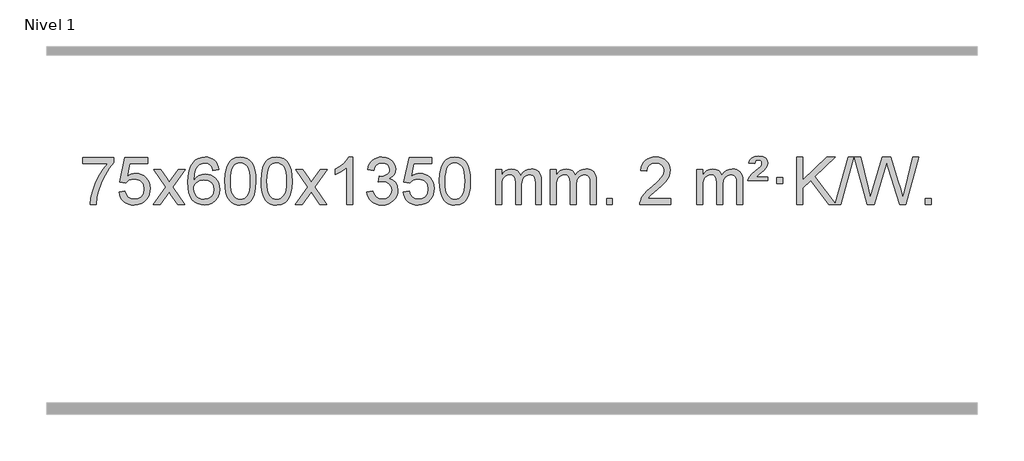
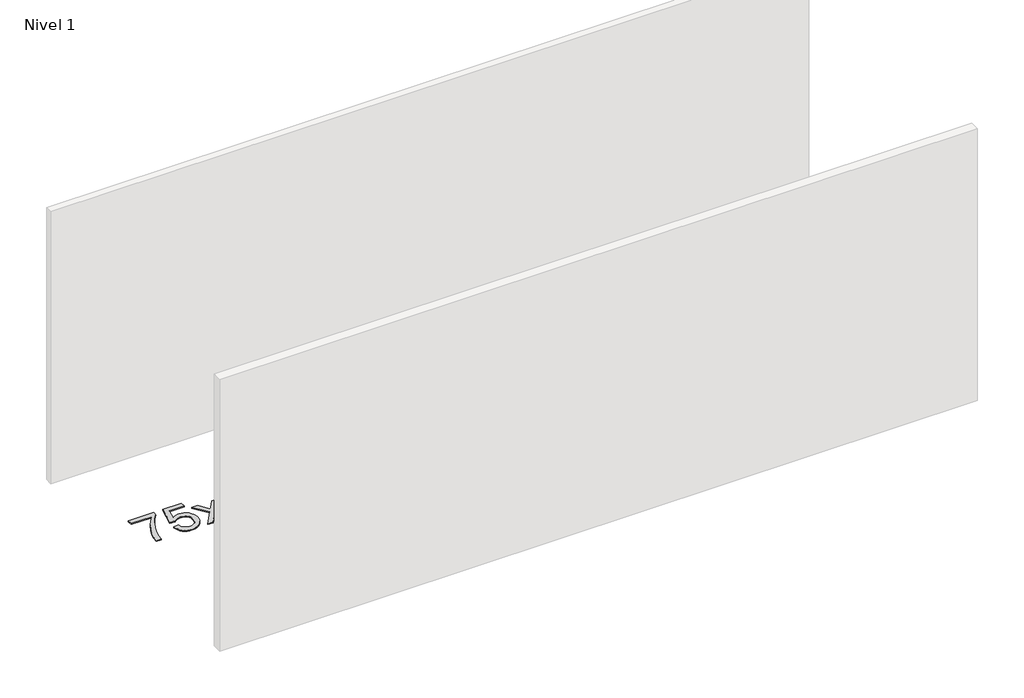
# One storey, part 15 of 21: 1 proxy.
"""IFC4 building model written with IfcOpenShell, lengths in millimetres."""

from ifc_helpers import new_model, si_unit, origin, origin_with_axes, place, context, project, spatial, polyline, outline, extrude, element, save

model = new_model("IFC4")

# Units and contexts
model_context = context("Model", 3, world=origin())
ifc_project = project(units=[si_unit("LENGTHUNIT", "METRE", prefix="MILLI")], contexts=[model_context])

# Site, building, storey
site = spatial("IfcSite", under=ifc_project)
building = spatial("IfcBuilding", under=site)
storey = spatial("IfcBuildingStorey", under=building, Name="Nivel 1", Elevation=0.0)

# Proxy
placement = place(None, origin())
element("IfcBuildingElementProxy", 1, Name="Texto de modelo 1", ObjectType="Texto de modelo 1", at=placement, inside=storey, context=model_context, shape_type="SweptSolid", body=[
    extrude(outline(polyline([(76.1355068, -12095.2608869), (76.1355068, -12045.0327318), (339.8333209, -12045.0327318), (339.8333209, -12085.646904), (302.2480437, -12133.214046), (265.0306485, -12193.7061088), (232.2033118, -12261.6048623), (207.7882101, -12331.3920768), (195.8197825, -12383.6067947), (189.1488557, -12440.579453), (138.9207006, -12440.579453), (144.3530914, -12388.8061935), (158.8844302, -12327.2717985), (182.1223096, -12262.0463207), (213.674322, -12199.1998132), (250.5115725, -12142.3865704), (289.6051658, -12095.2608869), (76.1355068, -12095.2608869)])), origin_with_axes(), (0.0, 0.0, 1.0), 10.0),
    extrude(outline(polyline([(383.7829566, -12333.8446235), (434.0111117, -12327.5661041), (443.232687, -12357.7201649), (459.3213929, -12379.3148381), (482.203653, -12392.3010725), (511.8058909, -12396.6298173), (530.9357547, -12395.1245668), (547.8092755, -12390.6088153), (562.4264534, -12383.0825628), (574.7872885, -12372.5458094), (584.6158691, -12359.519721), (591.6362839, -12344.5254641), (597.2526157, -12308.6324441), (591.9919031, -12274.8363514), (585.4160125, -12260.9181493), (576.2097655, -12248.9865099), (564.3425055, -12239.4154467), (549.7835755, -12232.5789729), (512.5907058, -12227.1097939), (488.224655, -12229.2925604), (468.4939173, -12235.8408599), (452.7363052, -12245.8717757), (440.2896311, -12258.5023908), (390.061476, -12252.2238715), (434.0111117, -12045.0327318), (628.6452126, -12045.0327318), (628.6452126, -12095.2608869), (474.6252839, -12095.2608869), (453.1409754, -12205.919791), (470.8667562, -12193.2155994), (489.0217327, -12184.1411769), (507.6059048, -12178.6965234), (526.6192726, -12176.8816388), (551.0803596, -12179.1318504), (573.5487524, -12185.882485), (594.0244512, -12197.1335427), (612.5074557, -12212.8850234), (627.808281, -12232.1743027), (638.737442, -12254.038756), (645.2949385, -12278.4783832), (647.4807707, -12305.4931844), (645.5126021, -12331.5147042), (639.608096, -12355.7213394), (629.7672527, -12378.1130902), (615.9900719, -12398.6899565), (595.1189001, -12419.7634634), (570.765112, -12434.8159684), (542.9287077, -12443.8474714), (511.6096872, -12446.8579724), (485.6893349, -12444.9235262), (462.2767116, -12439.1201877), (441.3718173, -12429.447957), (422.9746518, -12415.9068338), (407.6676951, -12399.1712688), (396.033427, -12379.915712), (388.0718475, -12358.1401636), (383.7829566, -12333.8446235)])), origin_with_axes(), (0.0, 0.0, 1.0), 10.0),
    extrude(outline(polyline([(672.5948483, -12440.579453), (779.918289, -12292.2494325), (678.8733677, -12145.4890419), (739.3041167, -12145.4890419), (788.0607438, -12216.122385), (810.8203766, -12249.4770192), (830.5388515, -12222.2047007), (886.0645073, -12145.4890419), (946.4952564, -12145.4890419), (840.3490381, -12292.2494325), (942.5711818, -12440.579453), (882.1404327, -12440.579453), (820.6305631, -12351.4048574), (809.3488486, -12335.1199477), (733.0255973, -12440.579453), (672.5948483, -12440.579453)])), origin_with_axes(), (0.0, 0.0, 1.0), 10.0),
    extrude(outline(polyline([(1231.3830735, -12145.4890419), (1181.1549184, -12151.7675613), (1173.0615145, -12126.874213), (1162.1231565, -12109.8780648), (1139.3389983, -12094.2062918), (1111.7968996, -12088.9823675), (1088.4486556, -12092.0235253), (1066.4738378, -12101.1469988), (1047.6014914, -12120.3627017), (1032.1872358, -12146.8134171), (1021.7761754, -12184.227016), (1017.9134144, -12236.3313693), (1038.061085, -12212.8237098), (1062.2064066, -12196.2567573), (1089.0004786, -12186.434308), (1117.0944003, -12183.1601582), (1141.2274592, -12185.398107), (1163.4965826, -12192.1119534), (1183.9017706, -12203.3016975), (1202.4430232, -12218.9673391), (1217.8511474, -12238.1769106), (1228.8569504, -12259.9984443), (1235.4604323, -12284.4319401), (1237.6615929, -12311.4773982), (1233.5167891, -12347.4439945), (1221.0823776, -12380.786366), (1201.3884281, -12409.0642287), (1175.4650102, -12429.8372987), (1144.4893462, -12442.602804), (1109.6386585, -12446.8579724), (1079.6961298, -12444.0375437), (1052.6537375, -12435.5762579), (1028.5114816, -12421.4741147), (1007.269362, -12401.7311143), (989.9513171, -12375.5133908), (977.581285, -12341.9870783), (970.1592658, -12301.1521768), (967.6852593, -12253.0086864), (970.4321116, -12199.0342663), (978.6726683, -12152.9693092), (992.4069294, -12114.8138149), (1011.634895, -12084.5677835), (1032.4754101, -12064.5243462), (1056.6391258, -12050.2076052), (1084.1260422, -12041.6175606), (1114.9361593, -12038.7542124), (1138.0698054, -12040.5261773), (1159.0084223, -12045.8420722), (1177.7520099, -12054.7018969), (1194.3005684, -12067.1056515), (1208.2065078, -12082.6364031), (1219.0222384, -12100.8772186), (1226.7477603, -12121.8280983), (1231.3830735, -12145.4890419)]), holes=[polyline([(1017.9134144, -12310.6925832), (1020.8196822, -12332.9494439), (1029.5384855, -12354.2007605), (1043.0765429, -12372.472233), (1060.4405731, -12385.7895612), (1081.397584, -12393.9197533), (1105.7145839, -12396.6298173), (1138.8607517, -12391.0134855), (1152.7758882, -12383.9930708), (1164.9190597, -12374.1644901), (1174.7691001, -12361.9262824), (1181.8048433, -12347.6769865), (1187.4334378, -12313.1451299), (1181.8784197, -12279.9989621), (1174.934647, -12266.3781312), (1165.2133653, -12254.725469), (1153.0334056, -12245.3904634), (1138.7135989, -12238.7226022), (1103.6544448, -12233.3883133), (1070.5573279, -12238.7226022), (1042.8803391, -12254.725469), (1031.9573096, -12266.2248471), (1024.1551456, -12279.3858254), (1019.4738472, -12294.2084042), (1017.9134144, -12310.6925832)])]), origin_with_axes(), (0.0, 0.0, 1.0), 10.0),
    extrude(outline(polyline([(1281.6112286, -12242.9041943), (1285.3023112, -12178.5861588), (1296.3755593, -12127.2911459), (1314.7206081, -12088.2343407), (1326.5786711, -12073.0009605), (1340.2270931, -12060.6309284), (1355.7118594, -12051.0598651), (1373.0789553, -12044.2233914), (1413.4601356, -12038.7542124), (1444.4112742, -12041.991574), (1472.1250511, -12051.7036586), (1495.3016168, -12067.5103217), (1512.6411215, -12089.0314184), (1525.7377206, -12116.0830078), (1536.1855692, -12148.4811488), (1543.0281743, -12189.6226186), (1545.3090427, -12242.9041943), (1541.6547482, -12306.8543477), (1530.6918648, -12358.0267333), (1512.4571805, -12397.1203266), (1500.6267087, -12412.3996922), (1486.9874837, -12424.8341036), (1471.4843233, -12434.4695462), (1454.0620452, -12441.3520052), (1413.4601356, -12446.8579724), (1385.7954096, -12444.4667394), (1361.2699432, -12437.2930405), (1339.8837366, -12425.3368757), (1321.6367896, -12408.5982449), (1304.1256067, -12378.3399508), (1291.6176188, -12340.6381776), (1284.1128261, -12295.4929255), (1281.6112286, -12242.9041943)]), holes=[polyline([(1331.8393836, -12242.8060924), (1333.3109116, -12286.4706195), (1337.7254956, -12321.8148822), (1345.0831355, -12348.8388804), (1355.3838313, -12367.5426142), (1367.8427682, -12380.2682656), (1381.6751312, -12389.3580165), (1396.8809204, -12394.8118671), (1413.4601356, -12396.6298173), (1430.0393509, -12394.8057357), (1445.24514, -12389.3334911), (1459.077503, -12380.2130833), (1471.5364399, -12367.4445124), (1481.8371358, -12348.7101217), (1489.1947757, -12321.6922549), (1493.6093596, -12286.3909118), (1495.0808876, -12242.8060924), (1493.6584106, -12200.2973278), (1489.3909794, -12165.5753989), (1482.2785942, -12138.6403055), (1472.3212549, -12119.4920476), (1460.0707844, -12106.1440625), (1446.0790059, -12096.6097875), (1430.3459192, -12090.8892225), (1412.8715244, -12088.9823675), (1396.3781483, -12090.6623619), (1381.4298766, -12095.7023452), (1368.0267092, -12104.1023175), (1356.1686462, -12115.8622786), (1345.5245938, -12136.708925), (1337.9216993, -12164.8151094), (1333.3599625, -12200.1808319), (1331.8393836, -12242.8060924)])]), origin_with_axes(), (0.0, 0.0, 1.0), 10.0),
    extrude(outline(polyline([(1589.2586784, -12242.9041943), (1592.9497611, -12178.5861588), (1604.0230091, -12127.2911459), (1622.368058, -12088.2343407), (1634.2261209, -12073.0009605), (1647.874543, -12060.6309284), (1663.3593093, -12051.0598651), (1680.7264051, -12044.2233914), (1721.1075855, -12038.7542124), (1752.058724, -12041.991574), (1779.772501, -12051.7036586), (1802.9490667, -12067.5103217), (1820.2885714, -12089.0314184), (1833.3851704, -12116.0830078), (1843.833019, -12148.4811488), (1850.6756242, -12189.6226186), (1852.9564925, -12242.9041943), (1849.302198, -12306.8543477), (1838.3393146, -12358.0267333), (1820.1046304, -12397.1203266), (1808.2741585, -12412.3996922), (1794.6349336, -12424.8341036), (1779.1317731, -12434.4695462), (1761.709495, -12441.3520052), (1721.1075855, -12446.8579724), (1693.4428594, -12444.4667394), (1668.9173931, -12437.2930405), (1647.5311864, -12425.3368757), (1629.2842395, -12408.5982449), (1611.7730565, -12378.3399508), (1599.2650687, -12340.6381776), (1591.760276, -12295.4929255), (1589.2586784, -12242.9041943)]), holes=[polyline([(1639.4868335, -12242.8060924), (1640.9583614, -12286.4706195), (1645.3729454, -12321.8148822), (1652.7305853, -12348.8388804), (1663.0312812, -12367.5426142), (1675.4902181, -12380.2682656), (1689.3225811, -12389.3580165), (1704.5283702, -12394.8118671), (1721.1075855, -12396.6298173), (1737.6868007, -12394.8057357), (1752.8925898, -12389.3334911), (1766.7249529, -12380.2130833), (1779.1838898, -12367.4445124), (1789.4845856, -12348.7101217), (1796.8422255, -12321.6922549), (1801.2568095, -12286.3909118), (1802.7283375, -12242.8060924), (1801.3058604, -12200.2973278), (1797.0384293, -12165.5753989), (1789.926044, -12138.6403055), (1779.9687047, -12119.4920476), (1767.7182342, -12106.1440625), (1753.7264557, -12096.6097875), (1737.993369, -12090.8892225), (1720.5189743, -12088.9823675), (1704.0255981, -12090.6623619), (1689.0773264, -12095.7023452), (1675.6741591, -12104.1023175), (1663.8160961, -12115.8622786), (1653.1720437, -12136.708925), (1645.5691491, -12164.8151094), (1641.0074124, -12200.1808319), (1639.4868335, -12242.8060924)])]), origin_with_axes(), (0.0, 0.0, 1.0), 10.0),
    extrude(outline(polyline([(1878.0705701, -12440.579453), (1985.3940108, -12292.2494325), (1884.3490895, -12145.4890419), (1944.7798385, -12145.4890419), (1993.5364656, -12216.122385), (2016.2960984, -12249.4770192), (2036.0145733, -12222.2047007), (2091.5402291, -12145.4890419), (2151.9709782, -12145.4890419), (2045.8247599, -12292.2494325), (2148.0469036, -12440.579453), (2087.6161545, -12440.579453), (2026.1062849, -12351.4048574), (2014.8245704, -12335.1199477), (1938.5013191, -12440.579453), (1878.0705701, -12440.579453)])), origin_with_axes(), (0.0, 0.0, 1.0), 10.0),
    extrude(outline(polyline([(2367.795082, -12440.579453), (2317.566927, -12440.579453), (2317.566927, -12127.4382987), (2296.5976532, -12144.3976587), (2269.9875223, -12161.3324932), (2217.1106168, -12186.6918254), (2217.1106168, -12139.2105225), (2256.5598294, -12117.7507395), (2290.7360668, -12092.219729), (2317.6772916, -12065.0700378), (2335.4214665, -12038.7542124), (2367.795082, -12038.7542124), (2367.795082, -12440.579453)])), origin_with_axes(), (0.0, 0.0, 1.0), 10.0),
    extrude(outline(polyline([(2487.0869503, -12333.8446235), (2537.3151054, -12327.5661041), (2548.5600317, -12359.1303793), (2565.0288824, -12380.4430095), (2587.5309978, -12392.5831154), (2616.8757182, -12396.6298173), (2651.309473, -12391.0625364), (2665.5832944, -12384.1034354), (2677.8950785, -12374.3606939), (2694.8912267, -12349.4428201), (2700.5566094, -12319.2274455), (2694.9402776, -12290.5449126), (2678.0912822, -12267.2825078), (2652.5847972, -12251.8682522), (2620.9959966, -12246.730167), (2585.7774269, -12252.2238715), (2591.3692332, -12201.9957164), (2599.4135862, -12202.5843276), (2629.5063334, -12198.979084), (2656.41077, -12188.1633534), (2667.4840181, -12179.9841103), (2675.3934809, -12169.8673555), (2680.1391587, -12157.8130888), (2681.7210513, -12143.8213102), (2677.1347891, -12122.1285352), (2663.3760024, -12104.5315131), (2642.3822032, -12092.8696539), (2616.0909033, -12088.9823675), (2589.7505525, -12092.9064421), (2568.217193, -12104.6786659), (2552.4963691, -12124.299039), (2543.5936248, -12151.7675613), (2493.3654697, -12145.4890419), (2499.3190267, -12121.5092672), (2508.1543259, -12100.3867093), (2519.8713675, -12082.1213683), (2534.4701513, -12066.713244), (2551.490825, -12054.4811677), (2570.4735359, -12045.7439703), (2591.4182842, -12040.5016519), (2614.3250697, -12038.7542124), (2645.9016077, -12042.2000404), (2674.9029716, -12052.5375245), (2699.3548616, -12068.8469596), (2717.2829775, -12090.2086408), (2728.2826491, -12114.8199463), (2731.9492063, -12140.8782543), (2728.4665901, -12165.1584659), (2718.0187415, -12187.1823347), (2700.7528131, -12205.9443165), (2676.815958, -12220.4388671), (2708.2576058, -12233.1430586), (2731.5567989, -12254.77452), (2745.9777731, -12284.1560286), (2750.7847645, -12320.1103623), (2748.3812688, -12345.5923218), (2741.1707817, -12369.0631931), (2729.1533032, -12390.5229762), (2712.3288333, -12409.971671), (2691.8316748, -12426.1094278), (2668.7961305, -12437.636397), (2643.2222005, -12444.5525785), (2615.1098847, -12446.8579724), (2589.7015015, -12444.8898037), (2566.5494613, -12438.9852977), (2545.653764, -12429.1444543), (2527.0144096, -12415.3672736), (2511.3855561, -12398.4630959), (2499.5213618, -12379.2412617), (2491.4218265, -12357.7017708), (2487.0869503, -12333.8446235)])), origin_with_axes(), (0.0, 0.0, 1.0), 10.0),
    extrude(outline(polyline([(2794.7344002, -12333.8446235), (2844.9625553, -12327.5661041), (2854.1841306, -12357.7201649), (2870.2728365, -12379.3148381), (2893.1550966, -12392.3010725), (2922.7573345, -12396.6298173), (2941.8871983, -12395.1245668), (2958.7607191, -12390.6088153), (2973.377897, -12383.0825628), (2985.7387321, -12372.5458094), (2995.5673127, -12359.519721), (3002.5877275, -12344.5254641), (3008.2040592, -12308.6324441), (3002.9433467, -12274.8363514), (2996.3674561, -12260.9181493), (2987.1612091, -12248.9865099), (2975.2939491, -12239.4154467), (2960.7350191, -12232.5789729), (2923.5421494, -12227.1097939), (2899.1760986, -12229.2925604), (2879.4453609, -12235.8408599), (2863.6877488, -12245.8717757), (2851.2410746, -12258.5023908), (2801.0129196, -12252.2238715), (2844.9625553, -12045.0327318), (3039.5966562, -12045.0327318), (3039.5966562, -12095.2608869), (2885.5767275, -12095.2608869), (2864.092419, -12205.919791), (2881.8181998, -12193.2155994), (2899.9731763, -12184.1411769), (2918.5573484, -12178.6965234), (2937.5707162, -12176.8816388), (2962.0318032, -12179.1318504), (2984.500196, -12185.882485), (3004.9758947, -12197.1335427), (3023.4588993, -12212.8850234), (3038.7597246, -12232.1743027), (3049.6888856, -12254.038756), (3056.2463821, -12278.4783832), (3058.4322143, -12305.4931844), (3056.4640457, -12331.5147042), (3050.5595396, -12355.7213394), (3040.7186963, -12378.1130902), (3026.9415155, -12398.6899565), (3006.0703437, -12419.7634634), (2981.7165556, -12434.8159684), (2953.8801513, -12443.8474714), (2922.5611308, -12446.8579724), (2896.6407785, -12444.9235262), (2873.2281552, -12439.1201877), (2852.3232608, -12429.447957), (2833.9260954, -12415.9068338), (2818.6191387, -12399.1712688), (2806.9848706, -12379.915712), (2799.0232911, -12358.1401636), (2794.7344002, -12333.8446235)])), origin_with_axes(), (0.0, 0.0, 1.0), 10.0),
    extrude(outline(polyline([(3102.38185, -12242.9041943), (3106.0729327, -12178.5861588), (3117.1461808, -12127.2911459), (3135.4912296, -12088.2343407), (3147.3492926, -12073.0009605), (3160.9977146, -12060.6309284), (3176.4824809, -12051.0598651), (3193.8495767, -12044.2233914), (3234.2307571, -12038.7542124), (3265.1818956, -12041.991574), (3292.8956726, -12051.7036586), (3316.0722383, -12067.5103217), (3333.411743, -12089.0314184), (3346.508342, -12116.0830078), (3356.9561907, -12148.4811488), (3363.7987958, -12189.6226186), (3366.0796642, -12242.9041943), (3362.4253697, -12306.8543477), (3351.4624862, -12358.0267333), (3333.227802, -12397.1203266), (3321.3973302, -12412.3996922), (3307.7581052, -12424.8341036), (3292.2549448, -12434.4695462), (3274.8326666, -12441.3520052), (3234.2307571, -12446.8579724), (3206.566031, -12444.4667394), (3182.0405647, -12437.2930405), (3160.6543581, -12425.3368757), (3142.4074111, -12408.5982449), (3124.8962281, -12378.3399508), (3112.3882403, -12340.6381776), (3104.8834476, -12295.4929255), (3102.38185, -12242.9041943)]), holes=[polyline([(3152.6100051, -12242.8060924), (3154.0815331, -12286.4706195), (3158.496117, -12321.8148822), (3165.8537569, -12348.8388804), (3176.1544528, -12367.5426142), (3188.6133897, -12380.2682656), (3202.4457527, -12389.3580165), (3217.6515418, -12394.8118671), (3234.2307571, -12396.6298173), (3250.8099723, -12394.8057357), (3266.0157615, -12389.3334911), (3279.8481245, -12380.2130833), (3292.3070614, -12367.4445124), (3302.6077573, -12348.7101217), (3309.9653972, -12321.6922549), (3314.3799811, -12286.3909118), (3315.8515091, -12242.8060924), (3314.429032, -12200.2973278), (3310.1616009, -12165.5753989), (3303.0492157, -12138.6403055), (3293.0918763, -12119.4920476), (3280.8414059, -12106.1440625), (3266.8496273, -12096.6097875), (3251.1165407, -12090.8892225), (3233.6421459, -12088.9823675), (3217.1487698, -12090.6623619), (3202.200498, -12095.7023452), (3188.7973307, -12104.1023175), (3176.9392677, -12115.8622786), (3166.2952153, -12136.708925), (3158.6923207, -12164.8151094), (3154.130584, -12200.1808319), (3152.6100051, -12242.8060924)])]), origin_with_axes(), (0.0, 0.0, 1.0), 10.0),
    extrude(outline(polyline([(3579.5493232, -12440.579453), (3579.5493232, -12145.4890419), (3629.7774783, -12145.4890419), (3629.7774783, -12194.0494653), (3644.8851656, -12171.7435537), (3664.3093349, -12154.2691589), (3687.3877987, -12142.9751816), (3713.4583695, -12139.2105225), (3741.3928756, -12143.048758), (3763.7846264, -12154.5634645), (3780.5109945, -12172.9943524), (3791.4493524, -12197.5811324), (3809.7576131, -12172.0439906), (3830.6410477, -12153.803175), (3854.0996562, -12142.8586857), (3880.1334388, -12139.2105225), (3900.2412555, -12140.7280358), (3917.8903942, -12145.2805755), (3933.0808549, -12152.8681416), (3945.8126376, -12163.4907342), (3955.8772759, -12177.2709806), (3963.0663032, -12194.3315082), (3967.3797196, -12214.6723168), (3968.8175251, -12238.2934066), (3968.8175251, -12440.579453), (3918.58937, -12440.579453), (3918.58937, -12259.875817), (3917.4244103, -12234.8230531), (3913.9295314, -12217.9372695), (3907.3812319, -12206.3735121), (3897.0560105, -12197.2868268), (3883.7754705, -12191.4007149), (3868.3612149, -12189.4386776), (3841.15021, -12194.4663982), (3818.9669257, -12209.54956), (3810.3615527, -12221.1194488), (3804.2148577, -12235.7182326), (3799.2975017, -12274.0024856), (3799.2975017, -12440.579453), (3749.0693466, -12440.579453), (3749.0693466, -12254.2840106), (3746.1630788, -12225.8835206), (3737.4442756, -12205.6254854), (3722.1035964, -12193.4853796), (3699.3317009, -12189.4386776), (3679.9811079, -12192.1364789), (3662.1510939, -12200.2298828), (3647.4358141, -12213.5226856), (3637.4294238, -12231.8186835), (3631.6904647, -12257.2025411), (3629.7774783, -12291.7589232), (3629.7774783, -12440.579453), (3579.5493232, -12440.579453)])), origin_with_axes(), (0.0, 0.0, 1.0), 10.0),
    extrude(outline(polyline([(4044.1597577, -12440.579453), (4044.1597577, -12145.4890419), (4094.3879127, -12145.4890419), (4094.3879127, -12194.0494653), (4109.4956, -12171.7435537), (4128.9197694, -12154.2691589), (4151.9982332, -12142.9751816), (4178.0688039, -12139.2105225), (4206.0033101, -12143.048758), (4228.3950609, -12154.5634645), (4245.1214289, -12172.9943524), (4256.0597869, -12197.5811324), (4274.3680475, -12172.0439906), (4295.2514821, -12153.803175), (4318.7100907, -12142.8586857), (4344.7438732, -12139.2105225), (4364.8516899, -12140.7280358), (4382.5008286, -12145.2805755), (4397.6912893, -12152.8681416), (4410.4230721, -12163.4907342), (4420.4877103, -12177.2709806), (4427.6767376, -12194.3315082), (4431.990154, -12214.6723168), (4433.4279595, -12238.2934066), (4433.4279595, -12440.579453), (4383.1998044, -12440.579453), (4383.1998044, -12259.875817), (4382.0348448, -12234.8230531), (4378.5399658, -12217.9372695), (4371.9916663, -12206.3735121), (4361.666445, -12197.2868268), (4348.3859049, -12191.4007149), (4332.9716493, -12189.4386776), (4305.7606444, -12194.4663982), (4283.5773601, -12209.54956), (4274.9719871, -12221.1194488), (4268.8252921, -12235.7182326), (4263.9079361, -12274.0024856), (4263.9079361, -12440.579453), (4213.679781, -12440.579453), (4213.679781, -12254.2840106), (4210.7735133, -12225.8835206), (4202.05471, -12205.6254854), (4186.7140308, -12193.4853796), (4163.9421353, -12189.4386776), (4144.5915424, -12192.1364789), (4126.7615283, -12200.2298828), (4112.0462485, -12213.5226856), (4102.0398582, -12231.8186835), (4096.3008991, -12257.2025411), (4094.3879127, -12291.7589232), (4094.3879127, -12440.579453), (4044.1597577, -12440.579453)])), origin_with_axes(), (0.0, 0.0, 1.0), 10.0),
    extrude(outline(polyline([(4521.3272309, -12440.579453), (4521.3272309, -12390.3512979), (4571.555386, -12390.3512979), (4571.555386, -12440.579453), (4521.3272309, -12440.579453)])), origin_with_axes(), (0.0, 0.0, 1.0), 10.0),
    extrude(outline(polyline([(5067.5584173, -12390.3512979), (5067.5584173, -12440.579453), (4803.8606032, -12440.579453), (4804.9642492, -12422.8965918), (4809.2562058, -12405.9494945), (4821.6415663, -12378.8856424), (4839.7658859, -12352.6311307), (4865.9836094, -12325.1503456), (4902.6491816, -12294.4076736), (4956.8504622, -12246.2641831), (4989.3712306, -12210.7267824), (5005.6316148, -12181.884834), (5011.0517429, -12153.8277005), (5005.9381831, -12128.6768347), (4990.5975039, -12107.7688747), (4967.016268, -12093.6789943), (4937.1810382, -12088.9823675), (4905.849755, -12093.5686297), (4881.5082296, -12107.3274163), (4865.7996684, -12129.1796068), (4860.3672776, -12158.0460807), (4810.1391226, -12151.7675613), (4814.4586703, -12125.838012), (4822.3160166, -12103.1826125), (4833.7111614, -12083.8013627), (4848.6441047, -12067.6942627), (4866.77149, -12055.0329907), (4887.7499608, -12045.989225), (4911.579517, -12040.5629655), (4938.2601587, -12038.7542124), (4965.1799237, -12040.7653006), (4989.1382387, -12046.7985654), (5010.1351036, -12056.8540066), (5028.1705184, -12070.9316242), (5042.6558719, -12087.9890861), (5053.002553, -12106.9840598), (5059.2105617, -12127.9165453), (5061.2798979, -12150.7865427), (5059.0480805, -12174.8092369), (5052.3526282, -12198.4149983), (5040.4700397, -12222.4254299), (5022.6768139, -12247.6621347), (4994.3131121, -12277.7916701), (4950.7190956, -12316.4805933), (4892.9370969, -12364.795762), (4870.275566, -12390.3512979), (5067.5584173, -12390.3512979)])), origin_with_axes(), (0.0, 0.0, 1.0), 10.0),
    extrude(outline(polyline([(5287.3065958, -12440.579453), (5287.3065958, -12145.4890419), (5337.5347508, -12145.4890419), (5337.5347508, -12194.0494653), (5352.6424381, -12171.7435537), (5372.0666075, -12154.2691589), (5395.1450713, -12142.9751816), (5421.215642, -12139.2105225), (5449.1501482, -12143.048758), (5471.541899, -12154.5634645), (5488.268267, -12172.9943524), (5499.206625, -12197.5811324), (5517.5148856, -12172.0439906), (5538.3983202, -12153.803175), (5561.8569288, -12142.8586857), (5587.8907113, -12139.2105225), (5607.998528, -12140.7280358), (5625.6476667, -12145.2805755), (5640.8381275, -12152.8681416), (5653.5699102, -12163.4907342), (5663.6345484, -12177.2709806), (5670.8235757, -12194.3315082), (5675.1369921, -12214.6723168), (5676.5747976, -12238.2934066), (5676.5747976, -12440.579453), (5626.3466425, -12440.579453), (5626.3466425, -12259.875817), (5625.1816829, -12234.8230531), (5621.6868039, -12217.9372695), (5615.1385044, -12206.3735121), (5604.8132831, -12197.2868268), (5591.532743, -12191.4007149), (5576.1184874, -12189.4386776), (5548.9074825, -12194.4663982), (5526.7241982, -12209.54956), (5518.1188252, -12221.1194488), (5511.9721302, -12235.7182326), (5507.0547742, -12274.0024856), (5507.0547742, -12440.579453), (5456.8266191, -12440.579453), (5456.8266191, -12254.2840106), (5453.9203514, -12225.8835206), (5445.2015481, -12205.6254854), (5429.8608689, -12193.4853796), (5407.0889734, -12189.4386776), (5387.7383805, -12192.1364789), (5369.9083664, -12200.2298828), (5355.1930866, -12213.5226856), (5345.1866963, -12231.8186835), (5339.4477372, -12257.2025411), (5337.5347508, -12291.7589232), (5337.5347508, -12440.579453), (5287.3065958, -12440.579453)])), origin_with_axes(), (0.0, 0.0, 1.0), 10.0),
    extrude(outline(polyline([(5720.5244333, -12239.6668327), (5724.350406, -12223.8479069), (5732.6890646, -12207.9799302), (5754.1978986, -12182.8413272), (5786.1545812, -12155.1030247), (5830.3004207, -12117.726214), (5837.4373314, -12106.1992448), (5839.8163016, -12094.3779701), (5837.9278407, -12082.2869152), (5832.262458, -12072.5012541), (5822.8937298, -12066.026531), (5809.8952327, -12063.8682899), (5797.4608212, -12065.4869707), (5788.6071279, -12070.343013), (5782.1814557, -12079.8098431), (5777.0311077, -12095.2608869), (5726.8029527, -12088.9823675), (5737.6432088, -12063.7701881), (5754.271475, -12046.2099542), (5778.0366519, -12035.9092583), (5810.2876401, -12032.475693), (5846.0702955, -12036.6082341), (5870.8164911, -12049.0058573), (5885.2374653, -12067.3386434), (5890.0444567, -12089.2766731), (5885.9487038, -12112.1834586), (5873.6614451, -12133.8149199), (5853.1336298, -12153.6314968), (5816.6642614, -12181.6886303), (5791.0596745, -12208.2742358), (5890.0444567, -12208.2742358), (5890.0444567, -12239.6668327), (5720.5244333, -12239.6668327)])), origin_with_axes(), (0.0, 0.0, 1.0), 10.0),
    extrude(outline(polyline([(5965.3866893, -12264.7809102), (5965.3866893, -12214.5527552), (6015.6148444, -12214.5527552), (6015.6148444, -12264.7809102), (5965.3866893, -12264.7809102)])), origin_with_axes(), (0.0, 0.0, 1.0), 10.0),
    extrude(outline(polyline([(6406.2564723, -12440.579453), (6252.8251548, -12237.9009991), (6185.1348677, -12302.4520265), (6185.1348677, -12440.579453), (6134.9067127, -12440.579453), (6134.9067127, -12038.7542124), (6185.1348677, -12038.7542124), (6185.1348677, -12235.4484525), (6391.148785, -12038.7542124), (6461.3897206, -12038.7542124), (6288.436132, -12203.9577537), (6463.0897418, -12434.5349332), (6574.4030696, -12038.7542124), (6619.7261314, -12038.7542124), (6506.7127824, -12440.579453), (6467.66824, -12440.579453), (6461.3897206, -12440.579453), (6406.2564723, -12440.579453)])), origin_with_axes(), (0.0, 0.0, 1.0), 10.0),
    extrude(outline(polyline([(6734.2110083, -12440.579453), (6624.6312246, -12038.7542124), (6676.4290096, -12038.7542124), (6739.9990183, -12302.844434), (6759.6193914, -12384.3670841), (6780.6131906, -12312.2622131), (6860.2719053, -12038.7542124), (6934.9274248, -12038.7542124), (6992.8075254, -12237.0180823), (7017.6027719, -12310.5944814), (7035.8742443, -12384.3670841), (7054.9060062, -12305.1988788), (7119.0646262, -12038.7542124), (7170.8624111, -12038.7542124), (7061.1845256, -12440.579453), (7007.5228052, -12440.579453), (6911.1867734, -12130.5775584), (6897.7468179, -12087.3146358), (6882.6391306, -12139.4067263), (6794.8379611, -12440.579453), (6734.2110083, -12440.579453)])), origin_with_axes(), (0.0, 0.0, 1.0), 10.0),
    extrude(outline(polyline([(7227.3690855, -12440.579453), (7227.3690855, -12390.3512979), (7277.5972406, -12390.3512979), (7277.5972406, -12440.579453), (7227.3690855, -12440.579453)])), origin_with_axes(), (0.0, 0.0, 1.0), 10.0),
])

save(model, "model.ifc")
